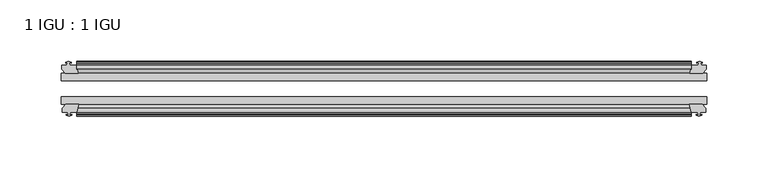
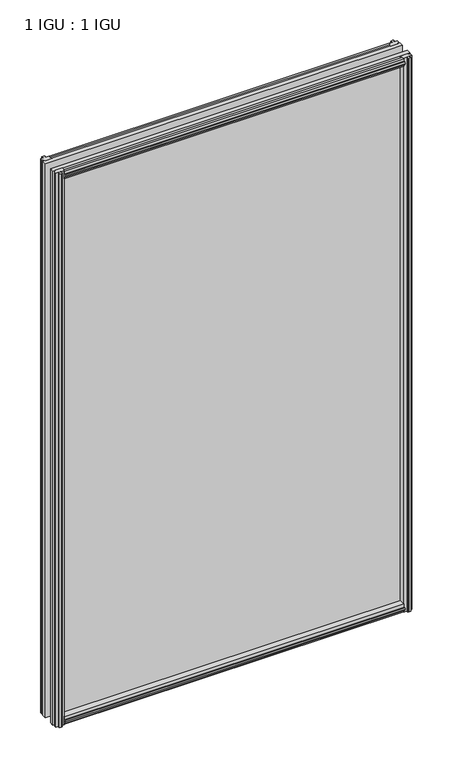
"""IFC4 building model written with IfcOpenShell, lengths in millimetres: plate geometry, 1 IGU : 1 IGU."""

from ifc_helpers import new_model, si_unit, frame, origin, place, context, project, spatial, polyline, outline, extrude, source, transform, mapped, element, save


def plate_1_igu_1_igu_af661e79(model_context):
    return source(origin(), model_context, "Body", "SweptSolid", [
        extrude(outline(polyline([(-25.8960937, 1.1970181), (-19.5460937, -0.5207), (-19.5460937, -5.7277), (-17.1658968, -6.1087), (-17.62583, -4.6931709), (-16.8246158, -4.6931709), (-16.1170937, -6.8707), (-16.8246158, -9.0482291), (-17.62583, -9.0482291), (-17.1658968, -7.6327), (-19.5460937, -8.0137), (-19.5460937, -12.4587), (-22.4924937, -12.4587), (-25.8960937, -9.6243578), (-25.8960937, 1.1970181)])), frame((-250.8317466, 0.0, 0.0), z_axis=(1.0, 0.0, 0.0), x_axis=(0.0, 1.0, 0.0)), (0.0, 0.0, 1.0), 501.6634932),
        extrude(outline(polyline([(-51.2960937, 1.7177181), (-51.2960937, -9.1036578), (-54.6996937, -11.938), (-57.6460937, -11.938), (-57.6460937, -7.493), (-60.0262907, -7.112), (-59.5663575, -8.5275291), (-60.3675717, -8.5275291), (-61.0750937, -6.35), (-60.3675717, -4.1724709), (-59.5663575, -4.1724709), (-60.0262907, -5.588), (-57.6460937, -5.207), (-57.6460937, 0.0), (-51.2960937, 1.7177181)])), frame((-250.8317466, 0.0, 0.0), z_axis=(1.0, 0.0, 0.0), x_axis=(0.0, 1.0, 0.0)), (0.0, 0.0, 1.0), 501.6634932),
        extrude(outline(polyline([(-57.6460937, 850.138), (-54.6996937, 850.138), (-51.2960937, 847.3036578), (-51.2960937, 836.4822819), (-57.6460937, 838.2), (-57.6460937, 843.407), (-60.0262907, 843.788), (-59.5663575, 842.3724709), (-60.3675717, 842.3724709), (-61.0750937, 844.55), (-60.3675717, 846.727529), (-59.5663575, 846.727529), (-60.0262907, 845.312), (-57.6460937, 845.693), (-57.6460937, 850.138)])), frame((-250.8317466, 0.0, 0.0), z_axis=(1.0, 0.0, 0.0), x_axis=(0.0, 1.0, 0.0)), (0.0, 0.0, 1.0), 501.6634932),
        extrude(outline(polyline([(-19.5460937, 850.6587), (-19.5460937, 846.2137), (-17.1658968, 845.8327), (-17.62583, 847.248229), (-16.8246158, 847.248229), (-16.1170937, 845.0707), (-16.8246158, 842.8931709), (-17.62583, 842.8931709), (-17.1658968, 844.3087), (-19.5460937, 843.9277), (-19.5460937, 838.7207), (-25.8960937, 837.0029819), (-25.8960937, 847.8243578), (-22.4924937, 850.6587), (-19.5460937, 850.6587)])), frame((-250.8317466, 0.0, 0.0), z_axis=(1.0, 0.0, 0.0), x_axis=(0.0, 1.0, 0.0)), (0.0, 0.0, 1.0), 501.6634932),
        extrude(outline(polyline([(-257.7024466, -16.1170937), (-255.5249175, -16.8246158), (-255.5249175, -17.62583), (-256.9404466, -17.1658968), (-256.5594466, -19.5460937), (-251.3524466, -19.5460937), (-249.6347285, -25.8960937), (-260.4561044, -25.8960937), (-263.2904466, -22.4924937), (-263.2904466, -19.5460937), (-258.8454466, -19.5460937), (-258.4644466, -17.1658968), (-259.8799756, -17.62583), (-259.8799756, -16.8246158), (-257.7024466, -16.1170937)])), frame((0.0, 0.0, -12.7), z_axis=(0.0, 0.0, 1.0), x_axis=(1.0, 0.0, 0.0)), (0.0, 0.0, 1.0), 863.6),
        extrude(outline(polyline([(-257.1817466, -61.0750938), (-259.3592756, -60.3675717), (-259.3592756, -59.5663575), (-257.9437466, -60.0262907), (-258.3247466, -57.6460938), (-262.7697466, -57.6460938), (-262.7697466, -54.6996938), (-259.9354044, -51.2960937), (-249.1140285, -51.2960937), (-250.8317466, -57.6460938), (-256.0387466, -57.6460938), (-256.4197466, -60.0262907), (-255.0042175, -59.5663575), (-255.0042175, -60.3675717), (-257.1817466, -61.0750938)])), frame((0.0, 0.0, -12.7), z_axis=(0.0, 0.0, 1.0), x_axis=(1.0, 0.0, 0.0)), (0.0, 0.0, 1.0), 863.6),
        extrude(outline(polyline([(256.5594466, -19.5460937), (256.9404466, -17.1658968), (255.5249175, -17.62583), (255.5249175, -16.8246158), (257.7024466, -16.1170937), (259.8799756, -16.8246158), (259.8799756, -17.62583), (258.4644466, -17.1658968), (258.8454466, -19.5460937), (263.2904466, -19.5460937), (263.2904466, -22.4924937), (260.4561044, -25.8960937), (249.6347285, -25.8960937), (251.3524466, -19.5460937), (256.5594466, -19.5460937)])), frame((0.0, 0.0, -12.7), z_axis=(0.0, 0.0, 1.0), x_axis=(1.0, 0.0, 0.0)), (0.0, 0.0, 1.0), 863.6),
        extrude(outline(polyline([(259.9354044, -51.2960937), (262.7697466, -54.6996937), (262.7697466, -57.6460937), (258.3247466, -57.6460937), (257.9437466, -60.0262907), (259.3592756, -59.5663575), (259.3592756, -60.3675717), (257.1817466, -61.0750937), (255.0042175, -60.3675717), (255.0042175, -59.5663575), (256.4197466, -60.0262907), (256.0387466, -57.6460937), (250.8317466, -57.6460937), (249.1140285, -51.2960937), (259.9354044, -51.2960937)])), frame((0.0, 0.0, -12.7), z_axis=(0.0, 0.0, 1.0), x_axis=(1.0, 0.0, 0.0)), (0.0, 0.0, 1.0), 863.6),
        extrude(outline(polyline([(-263.5317466, -25.8960937), (263.5317466, -25.8960937), (263.5317466, -32.2460937), (-263.5317466, -32.2460937), (-263.5317466, -25.8960937)])), frame((0.0, 0.0, -12.7), z_axis=(0.0, 0.0, 1.0), x_axis=(1.0, 0.0, 0.0)), (0.0, 0.0, 1.0), 863.6),
        extrude(outline(polyline([(263.5317466, -45.2686737), (263.5317466, -51.2960937), (-263.5317466, -51.2960937), (-263.5317466, -45.2686737), (263.5317466, -45.2686737)])), frame((0.0, 0.0, -12.7), z_axis=(0.0, 0.0, 1.0), x_axis=(1.0, 0.0, 0.0)), (0.0, 0.0, 1.0), 863.6),
    ])


if __name__ == "__main__":
    model = new_model("IFC4")
    model_context = context("Model", 3, world=origin())
    ifc_project = project(units=[si_unit("LENGTHUNIT", "METRE", prefix="MILLI")], contexts=[model_context])
    site = spatial("IfcSite", under=ifc_project)
    building = spatial("IfcBuilding", under=site)
    placement = place(None, origin())
    plate_1_igu_1_igu_shape = plate_1_igu_1_igu_af661e79(model_context)
    element("IfcPlate", 1, ObjectType="1 IGU : 1 IGU", at=placement, inside=building, context=model_context, shape_type="MappedRepresentation", body=[
        mapped(plate_1_igu_1_igu_shape, transform((0.0, 0.0, 0.0), x_axis=(1.0, 0.0, 0.0), y_axis=(0.0, 1.0, 0.0), z_axis=(0.0, 0.0, 1.0))),
    ])
    save(model, "model.ifc")
